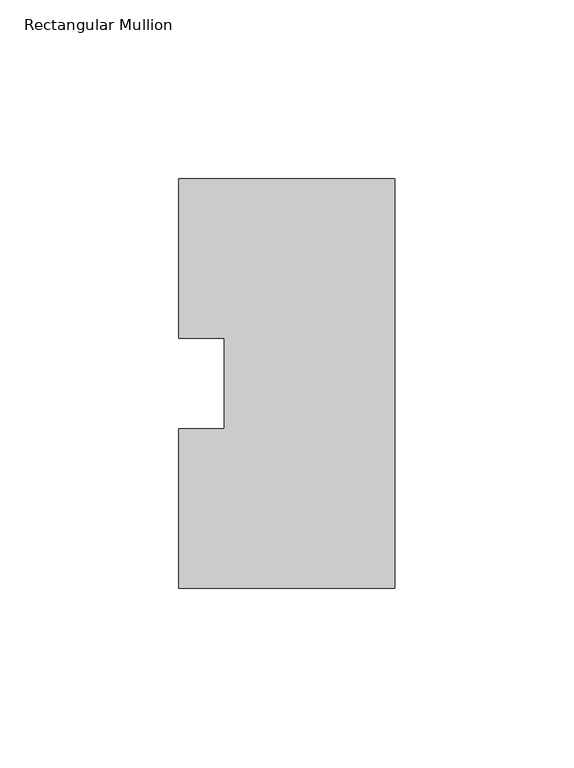
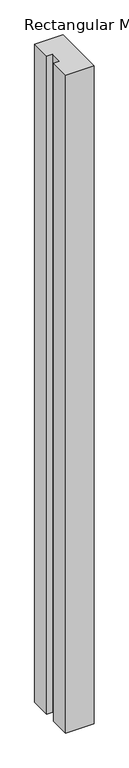
"""IFC4 building model written with IfcOpenShell, lengths in millimetres: member geometry, Rectangular Mullion."""

from ifc_helpers import new_model, si_unit, frame, origin, place, context, project, spatial, polyline, outline, extrude, source, transform, mapped, element, save


def rectangular_mullion_2065b168(model_context):
    return source(origin(), model_context, "Body", "SweptSolid", [
        extrude(outline(polyline([(-60.325, 57.15), (0.0, 57.15), (0.0, -57.15), (-60.325, -57.15), (-60.325, -12.7), (-47.6232296, -12.7), (-47.6232296, 12.7), (-60.325, 12.7), (-60.325, 57.15)])), frame((0.0, 0.0, -1478.28), z_axis=(0.0, 0.0, 1.0), x_axis=(1.0, 0.0, 0.0)), (0.0, 0.0, 1.0), 1478.28),
    ])


if __name__ == "__main__":
    model = new_model("IFC4")
    model_context = context("Model", 3, world=origin())
    ifc_project = project(units=[si_unit("LENGTHUNIT", "METRE", prefix="MILLI")], contexts=[model_context])
    site = spatial("IfcSite", under=ifc_project)
    building = spatial("IfcBuilding", under=site)
    placement = place(None, origin())
    rectangular_mullion_shape = rectangular_mullion_2065b168(model_context)
    element("IfcMember", 1, ObjectType="Rectangular Mullion", at=placement, inside=building, context=model_context, shape_type="MappedRepresentation", body=[
        mapped(rectangular_mullion_shape, transform((0.0, 0.0, 0.0), x_axis=(1.0, 0.0, 0.0), y_axis=(0.0, 1.0, 0.0), z_axis=(0.0, 0.0, 1.0))),
    ])
    save(model, "model.ifc")
